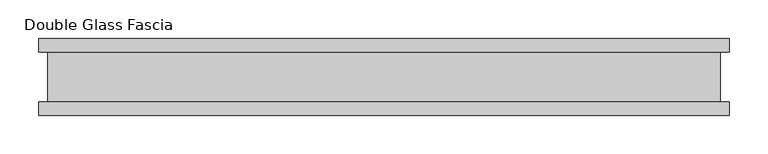
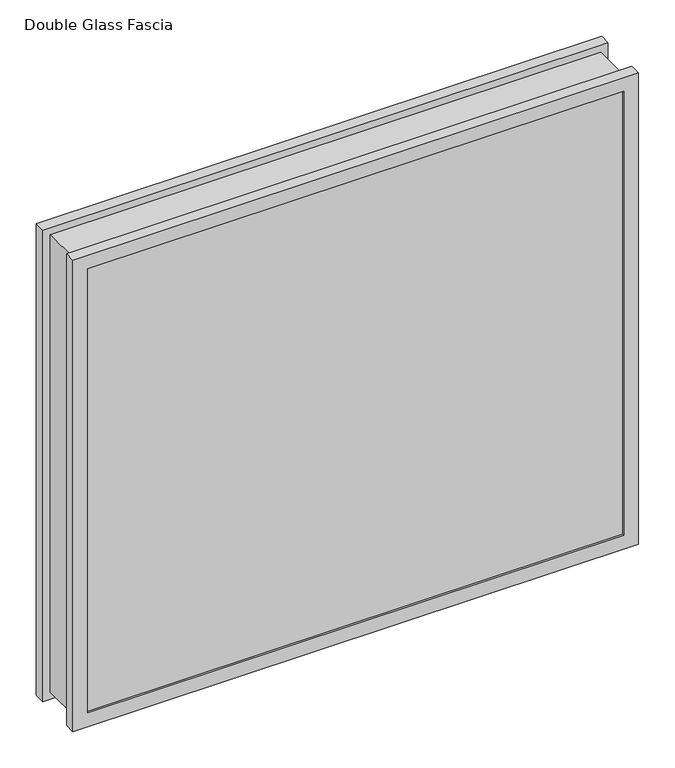
"""IFC4 building model written with IfcOpenShell, lengths in millimetres: proxy geometry, Double Glass Fascia."""

from ifc_helpers import new_model, si_unit, frame, origin, place, context, project, spatial, polyline, outline, extrude, faceted_brep, source, transform, mapped, element, save


def double_glass_fascia_65d3dfd8(model_context):
    return source(origin(), model_context, "Body", "SolidModel", [
        faceted_brep([(435.8630547, -32.4352299, 780.4920849), (435.8630547, -32.4352299, 15.0359151), (435.8630547, 32.4352299, 15.0359151), (435.8630547, 32.4352299, 780.4920849), (-435.8630547, -32.4352299, 15.0359151), (-435.8630547, 32.4352299, 15.0359151), (-435.8630547, -32.4352299, 780.4920849), (-435.8630547, 32.4352299, 780.4920849), (424.6861698, 38.8962152, 769.3152), (424.6861698, 38.8962152, 26.2128), (424.6861698, -38.8962152, 26.2128), (424.6861698, -38.8962152, 769.3152), (441.420809, 47.1322551, 786.0498392), (441.420809, 47.1322551, 9.4781608), (441.420809, 38.8962152, 9.4781608), (441.420809, 38.8962152, 786.0498392), (424.5083698, 50.0558594, 769.1374), (424.5083698, 50.0558594, 26.3906), (424.5083698, 47.1322551, 26.3906), (424.5083698, 47.1322551, 769.1374), (447.7239698, 32.4352299, 792.353), (447.7239698, 32.4352299, 3.175), (447.7239698, 50.0558594, 3.175), (447.7239698, 50.0558594, 792.353), (-424.6861698, 38.8962152, 26.2128), (-424.6861698, -38.8962152, 26.2128), (-441.420809, 47.1322551, 9.4781608), (-441.420809, 38.8962152, 9.4781608), (-424.5083698, 50.0558594, 26.3906), (-424.5083698, 47.1322551, 26.3906), (-447.7239698, 32.4352299, 3.175), (-447.7239698, 50.0558594, 3.175), (-424.6861698, 38.8962152, 769.3152), (-424.6861698, -38.8962152, 769.3152), (-441.420809, 47.1322551, 786.0498392), (-441.420809, 38.8962152, 786.0498392), (-424.5083698, 50.0558594, 769.1374), (-424.5083698, 47.1322551, 769.1374), (-447.7239698, 32.4352299, 792.353), (-447.7239698, 50.0558594, 792.353), (447.7239698, -50.0558594, 792.353), (447.7239698, -50.0558594, 3.175), (447.7239698, -32.4352299, 3.175), (447.7239698, -32.4352299, 792.353), (424.6861698, -47.1322551, 769.3152), (424.6861698, -47.1322551, 26.2128), (424.6861698, -50.0558594, 26.2128), (424.6861698, -50.0558594, 769.3152), (441.420809, -38.8962152, 786.0498392), (441.420809, -38.8962152, 9.4781608), (441.420809, -47.1322551, 9.4781608), (441.420809, -47.1322551, 786.0498392), (-447.7239698, -50.0558594, 3.175), (-447.7239698, -32.4352299, 3.175), (-424.6861698, -47.1322551, 26.2128), (-424.6861698, -50.0558594, 26.2128), (-441.420809, -38.8962152, 9.4781608), (-441.420809, -47.1322551, 9.4781608), (-447.7239698, -50.0558594, 792.353), (-447.7239698, -32.4352299, 792.353), (-424.6861698, -47.1322551, 769.3152), (-424.6861698, -50.0558594, 769.3152), (-441.420809, -38.8962152, 786.0498392), (-441.420809, -47.1322551, 786.0498392)], [[[0, 1, 2, 3]], [[1, 4, 5, 2]], [[4, 6, 7, 5]], [[6, 0, 3, 7]], [[8, 9, 10, 11]], [[12, 13, 14, 15]], [[16, 17, 18, 19]], [[20, 21, 22, 23]], [[9, 24, 25, 10]], [[13, 26, 27, 14]], [[17, 28, 29, 18]], [[21, 30, 31, 22]], [[24, 32, 33, 25]], [[26, 34, 35, 27]], [[28, 36, 37, 29]], [[30, 38, 39, 31]], [[32, 8, 11, 33]], [[15, 14, 27, 35], [9, 8, 32, 24]], [[34, 12, 15, 35]], [[13, 12, 34, 26], [19, 18, 29, 37]], [[36, 16, 19, 37]], [[23, 22, 31, 39], [17, 16, 36, 28]], [[38, 20, 23, 39]], [[21, 20, 38, 30], [3, 2, 5, 7]], [[40, 41, 42, 43]], [[44, 45, 46, 47]], [[48, 49, 50, 51]], [[41, 52, 53, 42]], [[45, 54, 55, 46]], [[49, 56, 57, 50]], [[52, 58, 59, 53]], [[54, 60, 61, 55]], [[56, 62, 63, 57]], [[43, 42, 53, 59], [1, 0, 6, 4]], [[58, 40, 43, 59]], [[41, 40, 58, 52], [47, 46, 55, 61]], [[60, 44, 47, 61]], [[51, 50, 57, 63], [45, 44, 60, 54]], [[62, 48, 51, 63]], [[49, 48, 62, 56], [11, 10, 25, 33]]]),
        extrude(outline(polyline([(436.8989698, 40.9277344), (-436.8989698, 40.9277344), (-436.8989698, 46.8808594), (436.8989698, 46.8808594), (436.8989698, 40.9277344)])), frame((0.0, 0.0, 5.3275263), z_axis=(0.0, 0.0, 1.0), x_axis=(1.0, 0.0, 0.0)), (0.0, 0.0, 1.0), 784.378928),
        extrude(outline(polyline([(436.8989698, -41.1791301), (436.8989698, -47.1322551), (-436.8989698, -47.1322551), (-436.8989698, -41.1791301), (436.8989698, -41.1791301)])), frame((0.0, 0.0, 5.3275263), z_axis=(0.0, 0.0, 1.0), x_axis=(1.0, 0.0, 0.0)), (0.0, 0.0, 1.0), 784.378928),
    ])


if __name__ == "__main__":
    model = new_model("IFC4")
    model_context = context("Model", 3, world=origin())
    ifc_project = project(units=[si_unit("LENGTHUNIT", "METRE", prefix="MILLI")], contexts=[model_context])
    site = spatial("IfcSite", under=ifc_project)
    building = spatial("IfcBuilding", under=site)
    placement = place(None, origin())
    double_glass_fascia_shape = double_glass_fascia_65d3dfd8(model_context)
    element("IfcBuildingElementProxy", 1, Name="Double Glass Fascia", ObjectType="Double Glass Fascia", at=placement, inside=building, context=model_context, shape_type="MappedRepresentation", body=[
        mapped(double_glass_fascia_shape, transform((0.0, 0.0, 0.0), x_axis=(1.0, 0.0, 0.0), y_axis=(0.0, 1.0, 0.0), z_axis=(0.0, 0.0, 1.0))),
    ])
    save(model, "model.ifc")
